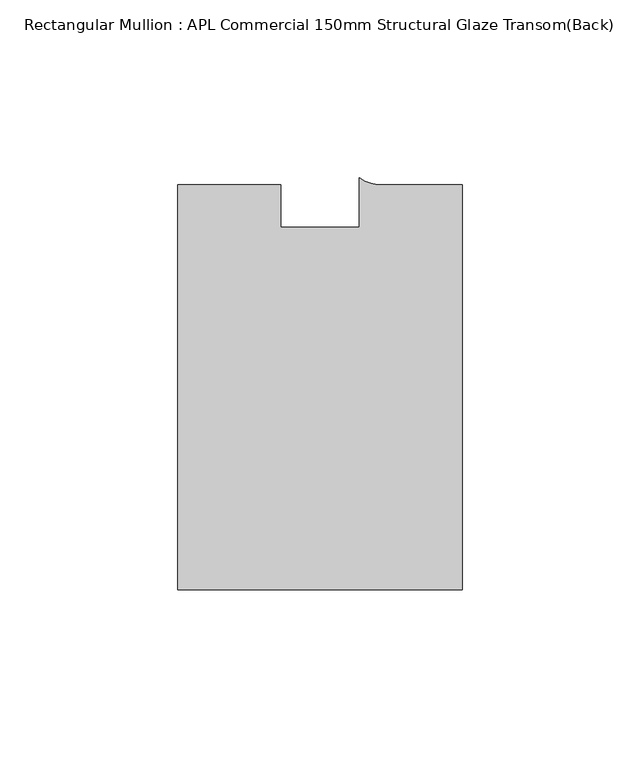
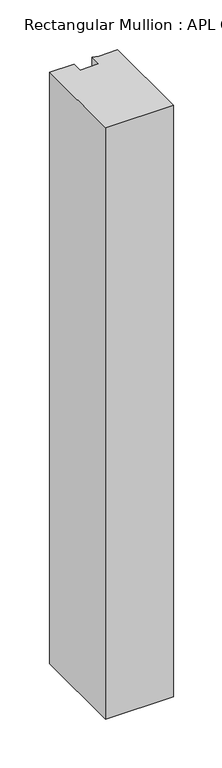
"""IFC4 building model written with IfcOpenShell, lengths in millimetres: member geometry, Rectangular Mullion : APL Commercial 150mm Structural Glaze Transom(Back)."""

from ifc_helpers import new_model, si_unit, point, frame, frame_2d, origin, place, context, project, spatial, polyline, circle_curve, trimmed, segment, composite_curve, outline, extrude, source, transform, mapped, element, save


def rectangular_mullion_apl_commercial_150mm_structural_glaze_53dc3139(model_context):
    return source(origin(), model_context, "Body", "SweptSolid", [
        extrude(outline(composite_curve([segment(polyline([(40.0, -128.9999975), (-40.0, -128.9999975), (-40.0, -15.0000829), (-11.0000151, -15.0000829), (-11.0000151, -27.0), (11.0000151, -27.0), (11.0000151, -13.0673455)]), True, "CONTINUOUS"), segment(trimmed(circle_curve(frame_2d((17.1097719, -4.581653)), 10.4563907), [point((11.0000151, -13.0673455))], [point((17.9999542, -15.0000829))], True, "CARTESIAN"), True, "CONTINUOUS"), segment(polyline([(17.9999542, -15.0000829), (40.0, -15.0000829), (40.0, -128.9999975)]), True, "CONTINUOUS")], self_intersect=False)), frame((0.0, 0.0, -737.4042121), z_axis=(0.0, 0.0, 1.0), x_axis=(1.0, 0.0, 0.0)), (0.0, 0.0, 1.0), 737.4042121),
    ])


if __name__ == "__main__":
    model = new_model("IFC4")
    model_context = context("Model", 3, world=origin())
    ifc_project = project(units=[si_unit("LENGTHUNIT", "METRE", prefix="MILLI")], contexts=[model_context])
    site = spatial("IfcSite", under=ifc_project)
    building = spatial("IfcBuilding", under=site)
    placement = place(None, origin())
    rectangular_mullion_apl_commercial_150mm_structural_glaze_shape = rectangular_mullion_apl_commercial_150mm_structural_glaze_53dc3139(model_context)
    element("IfcMember", 1, ObjectType="Rectangular Mullion : APL Commercial 150mm Structural Glaze Transom(Back)", at=placement, inside=building, context=model_context, shape_type="MappedRepresentation", body=[
        mapped(rectangular_mullion_apl_commercial_150mm_structural_glaze_shape, transform((0.0, 0.0, 0.0), x_axis=(1.0, 0.0, 0.0), y_axis=(0.0, 1.0, 0.0), z_axis=(0.0, 0.0, 1.0))),
    ])
    save(model, "model.ifc")
